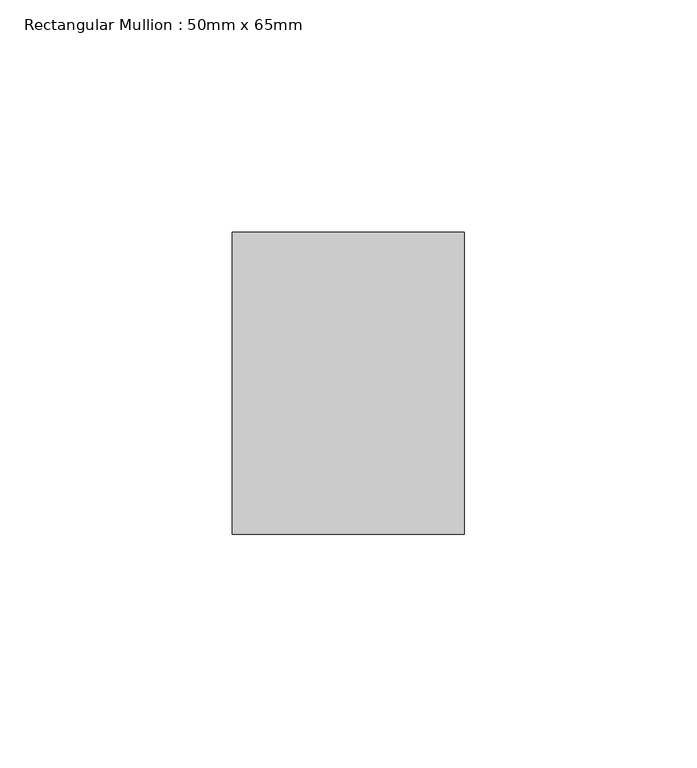
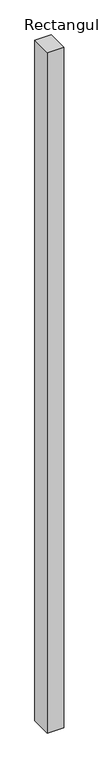
"""IFC4 building model written with IfcOpenShell, lengths in millimetres: member geometry, Rectangular Mullion : 50mm x 65mm."""

from ifc_helpers import new_model, si_unit, frame, origin, place, context, project, spatial, polyline, outline, extrude, source, transform, mapped, element, save


def rectangular_mullion_50mm_x_65mm_d44e615e(model_context):
    return source(origin(), model_context, "Body", "SweptSolid", [
        extrude(outline(polyline([(25.0, 32.5), (25.0, -32.5), (-25.0, -32.5), (-25.0, 32.5), (25.0, 32.5)])), frame((0.0, 0.0, -2186.9746739), z_axis=(0.0, 0.0, 1.0), x_axis=(1.0, 0.0, 0.0)), (0.0, 0.0, 1.0), 2186.9746739),
    ])


if __name__ == "__main__":
    model = new_model("IFC4")
    model_context = context("Model", 3, world=origin())
    ifc_project = project(units=[si_unit("LENGTHUNIT", "METRE", prefix="MILLI")], contexts=[model_context])
    site = spatial("IfcSite", under=ifc_project)
    building = spatial("IfcBuilding", under=site)
    placement = place(None, origin())
    rectangular_mullion_50mm_x_65mm_shape = rectangular_mullion_50mm_x_65mm_d44e615e(model_context)
    element("IfcMember", 1, ObjectType="Rectangular Mullion : 50mm x 65mm", at=placement, inside=building, context=model_context, shape_type="MappedRepresentation", body=[
        mapped(rectangular_mullion_50mm_x_65mm_shape, transform((0.0, 0.0, 0.0), x_axis=(1.0, 0.0, 0.0), y_axis=(0.0, 1.0, 0.0), z_axis=(0.0, 0.0, 1.0))),
    ])
    save(model, "model.ifc")
